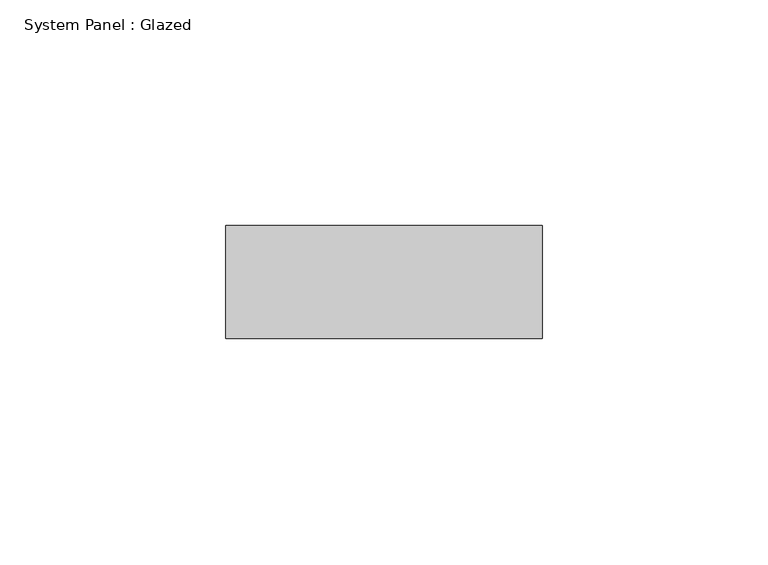
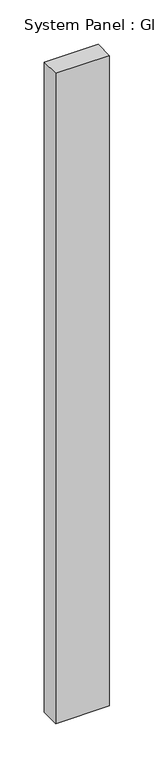
"""IFC4 building model written with IfcOpenShell, lengths in millimetres: plate geometry, System Panel : Glazed."""

from ifc_helpers import new_model, si_unit, origin, origin_with_axes, place, context, project, spatial, polyline, outline, extrude, source, transform, mapped, element, save


def system_panel_glazed_9690f1b0(model_context):
    return source(origin(), model_context, "Body", "SweptSolid", [
        extrude(outline(polyline([(35.0, -49.5), (-35.0, -49.5), (-35.0, -24.5), (35.0, -24.5), (35.0, -49.5)])), origin_with_axes(), (0.0, 0.0, 1.0), 892.6666667),
    ])


if __name__ == "__main__":
    model = new_model("IFC4")
    model_context = context("Model", 3, world=origin())
    ifc_project = project(units=[si_unit("LENGTHUNIT", "METRE", prefix="MILLI")], contexts=[model_context])
    site = spatial("IfcSite", under=ifc_project)
    building = spatial("IfcBuilding", under=site)
    placement = place(None, origin())
    system_panel_glazed_shape = system_panel_glazed_9690f1b0(model_context)
    element("IfcPlate", 1, ObjectType="System Panel : Glazed", at=placement, inside=building, context=model_context, shape_type="MappedRepresentation", body=[
        mapped(system_panel_glazed_shape, transform((0.0, 0.0, 0.0), x_axis=(1.0, 0.0, 0.0), y_axis=(0.0, 1.0, 0.0), z_axis=(0.0, 0.0, 1.0))),
    ])
    save(model, "model.ifc")
